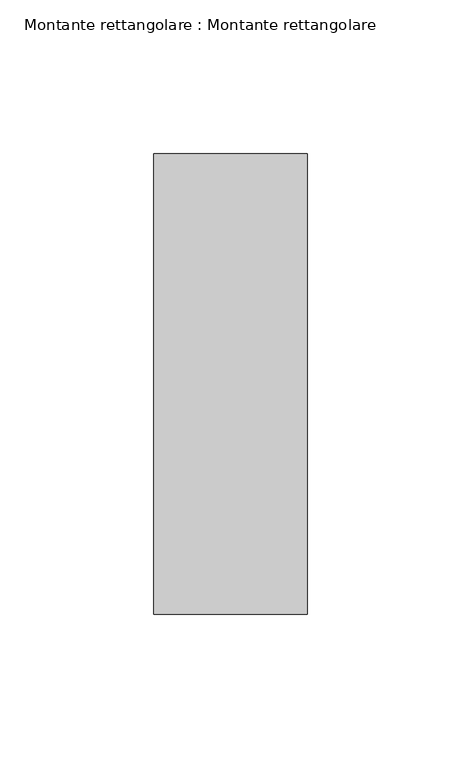
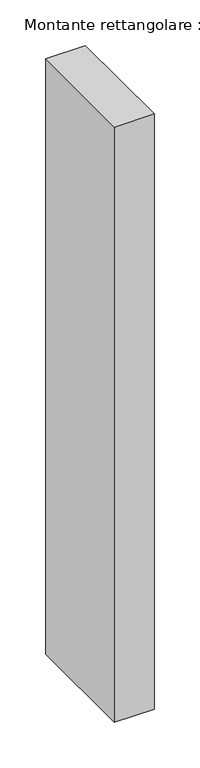
"""IFC4 building model written with IfcOpenShell, lengths in millimetres: member geometry, Montante rettangolare : Montante rettangolare."""

from ifc_helpers import new_model, si_unit, frame, origin, place, context, project, spatial, polyline, outline, extrude, source, transform, mapped, element, save


def montante_rettangolare_montante_rettangolare_798cad8f(model_context):
    return source(origin(), model_context, "Body", "SweptSolid", [
        extrude(outline(polyline([(25.0, 75.0), (25.0, -75.0), (-25.0, -75.0), (-25.0, 75.0), (25.0, 75.0)])), frame((0.0, 0.0, -794.0), z_axis=(0.0, 0.0, 1.0), x_axis=(1.0, 0.0, 0.0)), (0.0, 0.0, 1.0), 794.0),
    ])


if __name__ == "__main__":
    model = new_model("IFC4")
    model_context = context("Model", 3, world=origin())
    ifc_project = project(units=[si_unit("LENGTHUNIT", "METRE", prefix="MILLI")], contexts=[model_context])
    site = spatial("IfcSite", under=ifc_project)
    building = spatial("IfcBuilding", under=site)
    placement = place(None, origin())
    montante_rettangolare_montante_rettangolare_shape = montante_rettangolare_montante_rettangolare_798cad8f(model_context)
    element("IfcMember", 1, ObjectType="Montante rettangolare : Montante rettangolare", at=placement, inside=building, context=model_context, shape_type="MappedRepresentation", body=[
        mapped(montante_rettangolare_montante_rettangolare_shape, transform((0.0, 0.0, 0.0), x_axis=(1.0, 0.0, 0.0), y_axis=(0.0, 1.0, 0.0), z_axis=(0.0, 0.0, 1.0))),
    ])
    save(model, "model.ifc")
